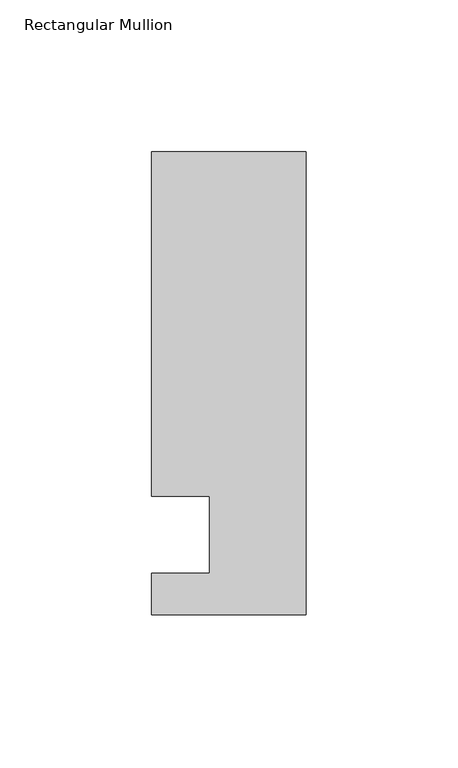
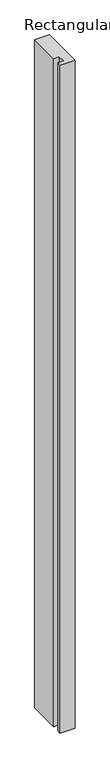
"""IFC4 building model written with IfcOpenShell, lengths in millimetres: member geometry, Rectangular Mullion."""

from ifc_helpers import new_model, si_unit, frame, origin, place, context, project, spatial, polyline, outline, extrude, source, transform, mapped, element, save


def rectangular_mullion_9209af90(model_context):
    return source(origin(), model_context, "Body", "SweptSolid", [
        extrude(outline(polyline([(0.0, -13.672693), (-50.8, -13.672693), (-50.8, 0.0), (-31.75, 0.0), (-31.75, 25.4), (-50.8, 25.4), (-50.8, 138.727307), (0.0, 138.727307), (0.0, -13.672693)])), frame((0.0, 0.0, -2438.4), z_axis=(0.0, 0.0, 1.0), x_axis=(1.0, 0.0, 0.0)), (0.0, 0.0, 1.0), 2438.4),
    ])


if __name__ == "__main__":
    model = new_model("IFC4")
    model_context = context("Model", 3, world=origin())
    ifc_project = project(units=[si_unit("LENGTHUNIT", "METRE", prefix="MILLI")], contexts=[model_context])
    site = spatial("IfcSite", under=ifc_project)
    building = spatial("IfcBuilding", under=site)
    placement = place(None, origin())
    rectangular_mullion_shape = rectangular_mullion_9209af90(model_context)
    element("IfcMember", 1, ObjectType="Rectangular Mullion", at=placement, inside=building, context=model_context, shape_type="MappedRepresentation", body=[
        mapped(rectangular_mullion_shape, transform((0.0, 0.0, 0.0), x_axis=(1.0, 0.0, 0.0), y_axis=(0.0, 1.0, 0.0), z_axis=(0.0, 0.0, 1.0))),
    ])
    save(model, "model.ifc")
